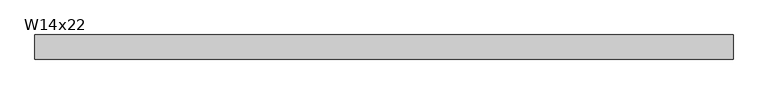
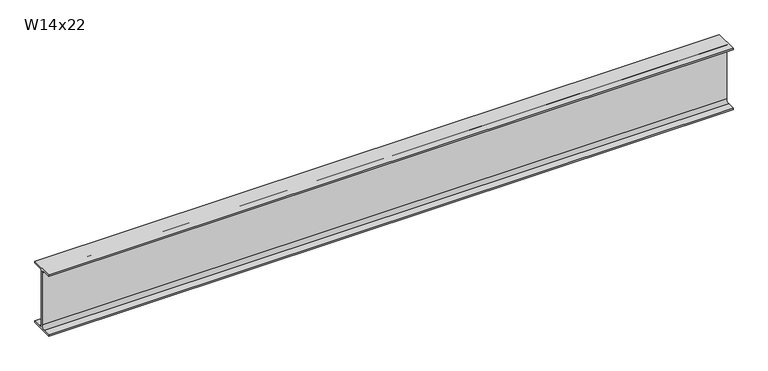
"""IFC4 building model written with IfcOpenShell, lengths in millimetres: beam geometry, W14x22."""

from ifc_helpers import new_model, si_unit, point, frame, frame_2d, origin, place, context, project, spatial, polyline, circle_curve, trimmed, segment, composite_curve, outline, extrude, source, transform, mapped, element, save


def w14x22_dae0ef42(model_context):
    return source(origin(), model_context, "Body", "SweptSolid", [
        extrude(outline(composite_curve([segment(polyline([(63.5, -165.481), (63.5, -173.99), (-63.5, -173.99), (-63.5, -165.481), (-21.3995, -165.481)]), True, "CONTINUOUS"), segment(trimmed(circle_curve(frame_2d((-21.3995, -147.0025)), 18.4785), [point((-21.3995, -165.481))], [point((-2.921, -147.0025))], True, "CARTESIAN"), True, "CONTINUOUS"), segment(polyline([(-2.921, -147.0025), (-2.921, 147.0025)]), True, "CONTINUOUS"), segment(trimmed(circle_curve(frame_2d((-21.3995, 147.0025)), 18.4785), [point((-2.921, 147.0025))], [point((-21.3995, 165.481))], True, "CARTESIAN"), True, "CONTINUOUS"), segment(polyline([(-21.3995, 165.481), (-63.5, 165.481), (-63.5, 173.99), (63.5, 173.99), (63.5, 165.481), (21.3995, 165.481)]), True, "CONTINUOUS"), segment(trimmed(circle_curve(frame_2d((21.3995, 147.0025)), 18.4785), [point((21.3995, 165.481))], [point((2.921, 147.0025))], True, "CARTESIAN"), True, "CONTINUOUS"), segment(polyline([(2.921, 147.0025), (2.921, -147.0025)]), True, "CONTINUOUS"), segment(trimmed(circle_curve(frame_2d((21.3995, -147.0025)), 18.4785), [point((2.921, -147.0025))], [point((21.3995, -165.481))], True, "CARTESIAN"), True, "CONTINUOUS"), segment(polyline([(21.3995, -165.481), (63.5, -165.481)]), True, "CONTINUOUS")], self_intersect=False)), frame((-1701.8338289, 0.0, 0.0), z_axis=(1.0, 0.0, 0.0), x_axis=(0.0, 1.0, 0.0)), (0.0, 0.0, 1.0), 3670.3152243),
    ])


if __name__ == "__main__":
    model = new_model("IFC4")
    model_context = context("Model", 3, world=origin())
    ifc_project = project(units=[si_unit("LENGTHUNIT", "METRE", prefix="MILLI")], contexts=[model_context])
    site = spatial("IfcSite", under=ifc_project)
    building = spatial("IfcBuilding", under=site)
    placement = place(None, origin())
    w14x22_shape = w14x22_dae0ef42(model_context)
    element("IfcBeam", 1, ObjectType="W14x22", at=placement, inside=building, context=model_context, shape_type="MappedRepresentation", body=[
        mapped(w14x22_shape, transform((0.0, 0.0, 0.0), x_axis=(1.0, 0.0, 0.0), y_axis=(0.0, 1.0, 0.0), z_axis=(0.0, 0.0, 1.0))),
    ])
    save(model, "model.ifc")
